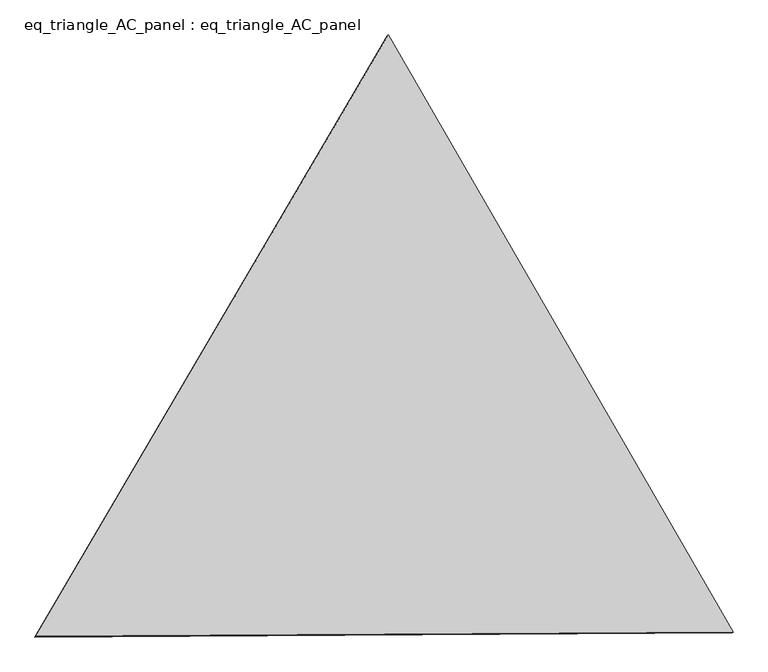
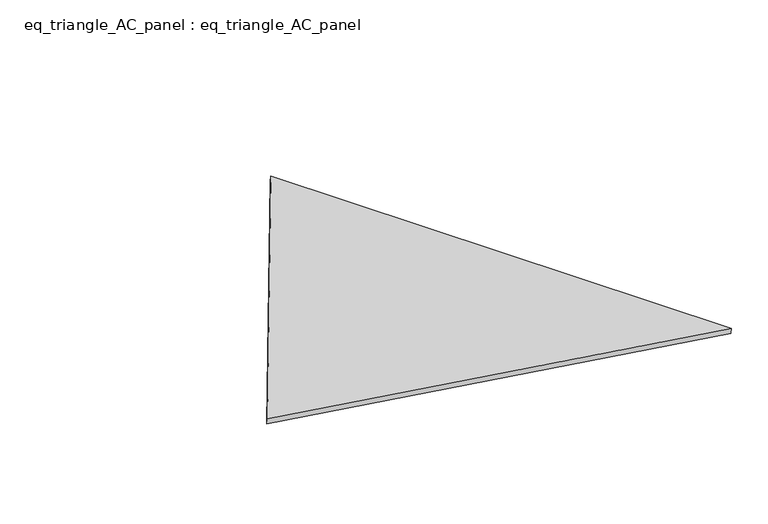
"""IFC4 building model written with IfcOpenShell, lengths in millimetres: proxy geometry, eq_triangle_AC_panel : eq_triangle_AC_panel."""

import ifcopenshell
import ifcopenshell.guid

model = None  # the IFC model being written
_history = None  # IfcOwnerHistory: only IFC2X3 demands one
_inside = {}  # id of a spatial element -> (the spatial element, [elements in it])
_under = {}  # id of a project, library or spatial element -> (it, [spatial elements below it])
_declared = {}  # id of a project -> (the project, [libraries it declares])
_typed = {}  # id of a type object -> (the type object, [elements of that type])
_made_of = {}  # id of a material, layer set ... -> (it, [elements and type objects made of it])


def new_model(schema):
    """Start an empty IFC model of exactly this schema.

    Asked for "IFC4X3", IfcOpenShell would pick the latest addendum, in which some entities
    have other attributes; the version numbers below select the first issue.
    IFC2X3 requires an IfcOwnerHistory on every rooted entity: one is made here for all.
    """
    global model, _history
    if schema == "IFC4X3":
        model = ifcopenshell.file(schema_version=(4, 3, 0, 0))
    else:
        model = ifcopenshell.file(schema=schema)
    _inside.clear()
    _under.clear()
    _declared.clear()
    _typed.clear()
    _made_of.clear()
    _history = None
    if model.schema == "IFC2X3":
        org = make("IfcOrganization", Name="unknown")
        user = make(
            "IfcPersonAndOrganization",
            ThePerson=make("IfcPerson", FamilyName="unknown"),
            TheOrganization=org,
        )
        app = make(
            "IfcApplication",
            ApplicationDeveloper=org,
            Version="unknown",
            ApplicationFullName="unknown",
            ApplicationIdentifier="unknown",
        )
        _history = make(
            "IfcOwnerHistory",
            OwningUser=user,
            OwningApplication=app,
            ChangeAction="ADDED",
            CreationDate=0,
        )
    return model


def make(cls, **values):
    """One entity of the class cls with the attributes given. An attribute that is None is left unset."""
    return model.create_entity(
        cls, **{name: value for name, value in values.items() if value is not None}
    )


def rooted(cls, **values):
    """An entity with a GlobalId (a new one), such as an element, a storey or a relation."""
    return make(cls, GlobalId=ifcopenshell.guid.new(), OwnerHistory=_history, **values)


def si_unit(unit_type, name, prefix=None):
    """IfcSIUnit, for example si_unit("LENGTHUNIT", "METRE", prefix="MILLI")."""
    return make("IfcSIUnit", UnitType=unit_type, Prefix=prefix, Name=name)


def assignment(units):
    """IfcUnitAssignment: the units of a project."""
    return None if units is None else make("IfcUnitAssignment", Units=units)


def point(xyz):
    """IfcCartesianPoint."""
    return None if xyz is None else make("IfcCartesianPoint", Coordinates=xyz)


def direction(xyz):
    """IfcDirection."""
    return None if xyz is None else make("IfcDirection", DirectionRatios=xyz)


def frame(location, z_axis=None, x_axis=None):
    """IfcAxis2Placement3D, a coordinate frame: its origin and axes. An axis left out is left unset."""
    return make(
        "IfcAxis2Placement3D",
        Location=point(location),
        Axis=direction(z_axis),
        RefDirection=direction(x_axis),
    )


def origin():
    """The frame at (0, 0, 0) with its axes left unset."""
    return frame((0.0, 0.0, 0.0))


def place(relative_to, where):
    """IfcLocalPlacement: puts the frame where relative to a parent placement (None: the world)."""
    return make(
        "IfcLocalPlacement", PlacementRelTo=relative_to, RelativePlacement=where
    )


def context(
    kind, dimensions, precision=None, world=None, true_north=None, identifier=None
):
    """IfcGeometricRepresentationContext, for example the 3D "Model" context."""
    return make(
        "IfcGeometricRepresentationContext",
        ContextIdentifier=identifier,
        ContextType=kind,
        CoordinateSpaceDimension=dimensions,
        Precision=precision,
        WorldCoordinateSystem=world,
        TrueNorth=true_north,
    )


def project(units=None, contexts=None):
    """IfcProject with its units and contexts."""
    return rooted(
        "IfcProject",
        Name="project",
        RepresentationContexts=contexts,
        UnitsInContext=assignment(units),
    )


def spatial(cls, under=None, at=None, **own):
    """A site, building, storey or space (cls), placed at a placement, below another one or the project."""
    s = rooted(cls, ObjectPlacement=at, **own)
    if under is not None:
        _under.setdefault(under.id(), (under, []))[1].append(s)
    return s


def polyline(points):
    """IfcPolyline through the points."""
    return make("IfcPolyline", Points=[point(p) for p in points])


def outline(outer, holes=None, kind="AREA"):
    """IfcArbitraryClosedProfileDef: a profile drawn as a closed curve; with holes, ...WithVoids."""
    if holes is None:
        return make("IfcArbitraryClosedProfileDef", ProfileType=kind, OuterCurve=outer)
    return make(
        "IfcArbitraryProfileDefWithVoids",
        ProfileType=kind,
        OuterCurve=outer,
        InnerCurves=holes,
    )


def extrude(swept, where, along, depth):
    """IfcExtrudedAreaSolid: the profile swept, set in the frame where, extruded along a direction by depth."""
    return make(
        "IfcExtrudedAreaSolid",
        SweptArea=swept,
        Position=where,
        ExtrudedDirection=direction(along),
        Depth=depth,
    )


def shape(context_of_items, identifier, shape_type, items):
    """IfcShapeRepresentation: the items that make up one representation, for example the "Body"."""
    return make(
        "IfcShapeRepresentation",
        ContextOfItems=context_of_items,
        RepresentationIdentifier=identifier,
        RepresentationType=shape_type,
        Items=items,
    )


def source(mapping_origin, context_of_items, identifier, shape_type, items):
    """IfcRepresentationMap: a shape defined once, which mapped items show again and again."""
    return make(
        "IfcRepresentationMap",
        MappingOrigin=mapping_origin,
        MappedRepresentation=shape(context_of_items, identifier, shape_type, items),
    )


def transform(
    local_origin,
    x_axis=None,
    y_axis=None,
    z_axis=None,
    scale=None,
    scale2=None,
    scale3=None,
    uniform=True,
):
    """IfcCartesianTransformationOperator3D, or its non-uniform kind. x_axis, y_axis, z_axis: its Axis1, 2, 3."""
    if uniform:
        return make(
            "IfcCartesianTransformationOperator3D",
            Axis1=direction(x_axis),
            Axis2=direction(y_axis),
            LocalOrigin=point(local_origin),
            Scale=scale,
            Axis3=direction(z_axis),
        )
    return make(
        "IfcCartesianTransformationOperator3DnonUniform",
        Axis1=direction(x_axis),
        Axis2=direction(y_axis),
        LocalOrigin=point(local_origin),
        Scale=scale,
        Axis3=direction(z_axis),
        Scale2=scale2,
        Scale3=scale3,
    )


def mapped(mapping_source, mapping_target):
    """IfcMappedItem: shows the shape of a source again, moved by a transform."""
    return make(
        "IfcMappedItem", MappingSource=mapping_source, MappingTarget=mapping_target
    )


def made_of(thing, what):
    """Note that an element or type object is made of a material, layer set ...; save() writes the relation."""
    if what is not None:
        _made_of.setdefault(what.id(), (what, []))[1].append(thing)
    return thing


def element(
    cls,
    number,
    at=None,
    inside=None,
    cuts=None,
    type_object=None,
    material=None,
    context=None,
    identifier="Body",
    shape_type=None,
    held_by="IfcProductDefinitionShape",
    body=None,
    shapes=None,
    **own,
):
    """One element of the class cls, such as IfcWall. Its Tag is "e" and its number.

    at: its placement. inside: the storey or other place that contains it. cuts: it is an
    opening in that element (IfcRelVoidsElement). A single representation is given by context,
    identifier, shape_type and body (its items); several are given by shapes. held_by: the class
    of the entity that holds the representations. save() writes the other relations.
    """
    e = rooted(cls, Tag="e%d" % number, ObjectPlacement=at, **own)
    if body is not None:
        shapes = [shape(context, identifier, shape_type, body)]
    if shapes is not None:
        e.Representation = make(held_by, Representations=shapes)
    if inside is not None:
        _inside.setdefault(inside.id(), (inside, []))[1].append(e)
    if cuts is not None:
        rooted(
            "IfcRelVoidsElement", RelatingBuildingElement=cuts, RelatedOpeningElement=e
        )
    if type_object is not None:
        _typed.setdefault(type_object.id(), (type_object, []))[1].append(e)
    return made_of(e, material)


def aggregate(whole, parts):
    """IfcRelAggregates: a whole, such as a stair, and the parts it consists of."""
    return rooted("IfcRelAggregates", RelatingObject=whole, RelatedObjects=parts)


def save(model, path):
    """Write the relations noted so far, then the file.

    IfcRelAggregates (storeys below a building ...), IfcRelContainedInSpatialStructure (elements
    in a storey), IfcRelDefinesByType, IfcRelAssociatesMaterial and IfcRelDeclares: one each for
    every whole, place, type object, material and project.
    """
    for whole, parts in _under.values():
        aggregate(whole, parts)
    for where, things in _inside.values():
        rooted(
            "IfcRelContainedInSpatialStructure",
            RelatedElements=things,
            RelatingStructure=where,
        )
    for kind, things in _typed.values():
        rooted("IfcRelDefinesByType", RelatedObjects=things, RelatingType=kind)
    for what, things in _made_of.values():
        rooted("IfcRelAssociatesMaterial", RelatedObjects=things, RelatingMaterial=what)
    for by, libraries in _declared.values():
        rooted("IfcRelDeclares", RelatingContext=by, RelatedDefinitions=libraries)
    model.write(path)


def eq_triangle_ac_panel_eq_triangle_ac_panel_095e851a(model_context):
    return source(origin(), model_context, "Body", "SweptSolid", [
        extrude(outline(polyline([(-2017.7410617, 1198.9367817), (2017.7410616, 1198.9367817), (-1e-07, -2397.8735635), (-2017.7410617, 1198.9367817)])), frame((0.0038051, 527.9290861, 89.8240019), z_axis=(0.14526328518083637, 0.08386570281758113, 0.9858321976225894), x_axis=(0.500002769741885, -0.86602380466403, -2.383668665604571e-06)), (0.0, 0.0, 1.0), 43.8306294),
    ])


if __name__ == "__main__":
    model = new_model("IFC4")
    model_context = context("Model", 3, world=origin())
    ifc_project = project(units=[si_unit("LENGTHUNIT", "METRE", prefix="MILLI")], contexts=[model_context])
    site = spatial("IfcSite", under=ifc_project)
    building = spatial("IfcBuilding", under=site)
    placement = place(None, origin())
    eq_triangle_ac_panel_eq_triangle_ac_panel_shape = eq_triangle_ac_panel_eq_triangle_ac_panel_095e851a(model_context)
    element("IfcBuildingElementProxy", 1, Name="eq_triangle_AC_panel : eq_triangle_AC_panel", ObjectType="eq_triangle_AC_panel : eq_triangle_AC_panel", at=placement, inside=building, context=model_context, shape_type="MappedRepresentation", body=[
        mapped(eq_triangle_ac_panel_eq_triangle_ac_panel_shape, transform((0.0, 0.0, 0.0), x_axis=(1.0, 0.0, 0.0), y_axis=(0.0, 1.0, 0.0), z_axis=(0.0, 0.0, 1.0))),
    ])
    save(model, "model.ifc")
